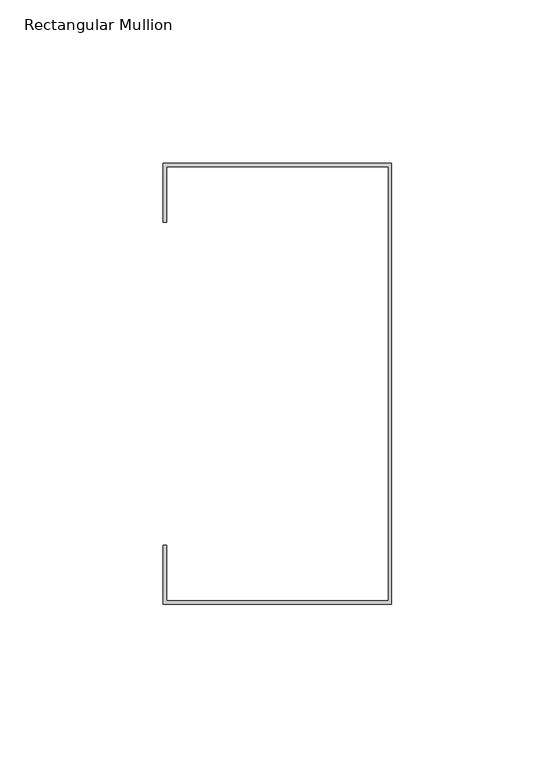
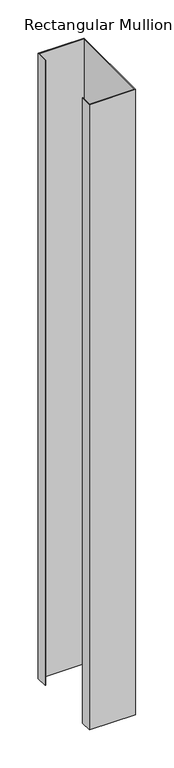
"""IFC4 building model written with IfcOpenShell, lengths in millimetres: member geometry, Rectangular Mullion."""

from ifc_helpers import new_model, si_unit, frame, origin, place, context, project, spatial, polyline, outline, extrude, source, transform, mapped, element, save


def rectangular_mullion_7f3660e2(model_context):
    return source(origin(), model_context, "Body", "SweptSolid", [
        extrude(outline(polyline([(-250.0, -159.9842182), (-320.0, -159.9842182), (-320.0, -141.9842182), (-319.0, -141.9842182), (-319.0, -158.9842182), (-251.0, -158.9842182), (-251.0, -25.9842182), (-319.0, -25.9842182), (-319.0, -42.9842182), (-320.0, -42.9842182), (-320.0, -24.9842182), (-250.0, -24.9842182), (-250.0, -159.9842182)])), frame((0.0, 0.0, -1000.0), z_axis=(0.0, 0.0, 1.0), x_axis=(1.0, 0.0, 0.0)), (0.0, 0.0, 1.0), 1000.0),
    ])


if __name__ == "__main__":
    model = new_model("IFC4")
    model_context = context("Model", 3, world=origin())
    ifc_project = project(units=[si_unit("LENGTHUNIT", "METRE", prefix="MILLI")], contexts=[model_context])
    site = spatial("IfcSite", under=ifc_project)
    building = spatial("IfcBuilding", under=site)
    placement = place(None, origin())
    rectangular_mullion_shape = rectangular_mullion_7f3660e2(model_context)
    element("IfcMember", 1, ObjectType="Rectangular Mullion", at=placement, inside=building, context=model_context, shape_type="MappedRepresentation", body=[
        mapped(rectangular_mullion_shape, transform((0.0, 0.0, 0.0), x_axis=(1.0, 0.0, 0.0), y_axis=(0.0, 1.0, 0.0), z_axis=(0.0, 0.0, 1.0))),
    ])
    save(model, "model.ifc")
